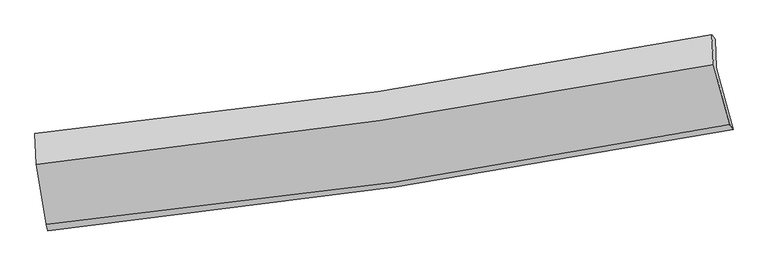
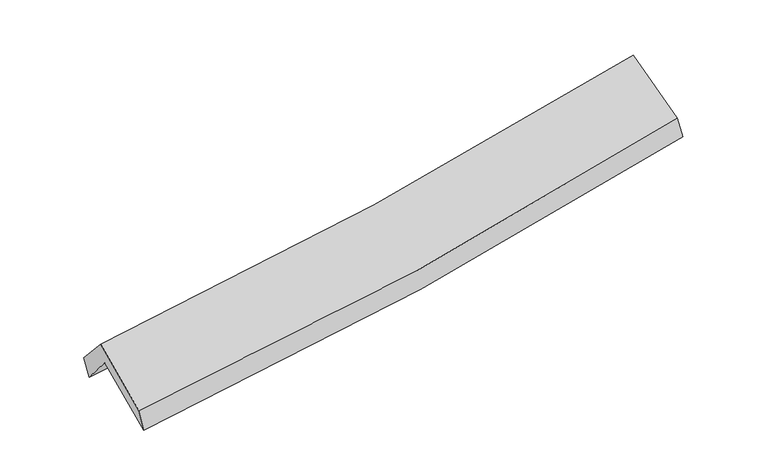
"""IFC4 building model written with IfcOpenShell, lengths in millimetres: proxy geometry."""

from ifc_helpers import new_model, si_unit, frame, origin, place, context, project, spatial, source, transform, mapped, element, save
from ifc_brep_helpers import plane_surface, spline_curve, spline_surface, advanced_brep


def generic_models_db290c62(model_context):
    return source(origin(), model_context, "Body", "AdvancedBrep", [
        advanced_brep(
        [(-2801.418925, -2501.9626952, 1470.53982), (-2883.2712942, -1988.4228432, 1881.7860805), (2793.5645419, -1134.6324486, 2372.6708342), (2934.6083235, -1651.2000195, 1963.7372949), (-2894.371916, -1746.2728652, 1591.9775427), (2783.1455894, -892.9770491, 2077.6866456), (-2910.972109, -1683.6200629, 1758.5111317), (2757.6172349, -857.8640919, 2245.0005397), (-2897.9701148, -1944.0274938, 2051.4442281), (2770.0974994, -1106.032684, 2532.3522788), (-2817.549085, -2446.6320137, 1643.4726108), (2907.2056705, -1610.3734924, 2138.3247043)],
        [
            (0, 1),
            (1, 2, spline_curve(3, [(-2883.2712942, -1988.4228432, 1881.7860805), (-1917.958863001, -1896.198779639, 1943.73732956), (-957.393384709, -1777.936072923, 2016.149690846), (934.693021888, -1492.284961611, 2180.20151594), (1866.40615566, -1325.950870433, 2271.417405633), (2793.5645419, -1134.6324486, 2372.6708342)], [4, 2, 4], [0.0, 9.601465992579238, 19.0065402656699])),
            (2, 3),
            (3, 0, spline_curve(3, [(2934.6083235, -1651.2000195, 1963.7372949), (1997.492862875, -1831.270496051, 1854.878564629), (1055.918540859, -1991.675380361, 1759.631967138), (-855.902382471, -2276.092806287, 1594.658390731), (-1826.337143615, -2399.2754808, 1525.505830044), (-2801.418925, -2501.9626952, 1470.53982)], [4, 2, 4], [0.0, 9.405074273090664, 19.0065402656699])),
            (1, 4),
            (4, 5, spline_curve(3, [(-2894.371916, -1746.2728652, 1591.9775427), (-1927.895640023, -1653.426049229, 1639.172505022), (-966.696266659, -1534.897254573, 1703.842696835), (925.595905097, -1249.42544427, 1866.453308789), (1856.902366786, -1083.522300363, 1963.686151212), (2783.1455894, -892.9770491, 2077.6866456)], [4, 2, 4], [0.0, 9.554469889433404, 18.913509333991215])),
            (5, 2),
            (4, 6),
            (6, 7, spline_curve(3, [(-2910.972109, -1683.6200629, 1758.5111317), (-1948.639791418, -1589.235151984, 1819.894154419), (-990.250456301, -1472.287915998, 1891.651450794), (899.11967237, -1196.122369819, 2054.234644539), (1830.260118561, -1037.817615633, 2144.640483856), (2757.6172349, -857.8640919, 2245.0005397)], [4, 2, 4], [0.0, 9.54348089722188, 18.891756122230753])),
            (7, 5),
            (6, 8),
            (8, 9, spline_curve(3, [(-2897.9701148, -1944.0274938, 2051.4442281), (-1936.267534863, -1839.539772722, 2105.3900053), (-978.234195387, -1716.552237444, 2172.992328516), (910.973107114, -1436.47157112, 2333.847970153), (1842.29563924, -1280.127502683, 2426.548330302), (2770.0974994, -1106.032684, 2532.3522788)], [4, 2, 4], [0.0, 9.532351386807086, 18.869724748271874])),
            (9, 7),
            (8, 10),
            (10, 11, spline_curve(3, [(-2817.549085, -2446.6320137, 1643.4726108), (-1843.583918874, -2352.9489812, 1697.182497886), (-874.660583885, -2235.45566524, 1765.854235784), (1033.386855712, -1955.738738854, 1931.410743939), (1972.715106169, -1794.479214364, 2027.689703401), (2907.2056705, -1610.3734924, 2138.3247043)], [4, 2, 4], [0.0, 9.580597180029866, 18.965229498509665])),
            (11, 9),
            (10, 0),
            (3, 11),
        ],
        [
            spline_surface(3, 3, [[(-2801.418925, -2501.9626952, 1470.53982), (-1826.337143593, -2399.275480759, 1525.505830005), (-855.90238257, -2276.092806416, 1594.658390831), (1055.918540956, -1991.675380235, 1759.63196704), (1997.492862752, -1831.270496016, 1854.878564497), (2934.6083235, -1651.2000195, 1963.7372949)], [(-2828.703048041, -2330.782744536, 1607.62190683), (-1856.877716668, -2231.58324709, 1664.91632983), (-889.732716572, -2110.040561881, 1735.155490857), (1015.510034578, -1825.211907408, 1899.821816653), (1953.797293694, -1662.830620844, 1993.724844887), (2887.593729638, -1479.010829204, 2100.048474663)], [(-2855.987171159, -2159.602793864, 1744.70399367), (-1887.418289821, -2063.891013412, 1804.326829665), (-923.563050607, -1943.988317329, 1875.652590882), (975.101528168, -1658.748434564, 2040.011666266), (1910.101724623, -1494.390745659, 2132.571125287), (2840.579135762, -1306.821638896, 2236.359654437)], [(-2883.2712942, -1988.4228432, 1881.7860805), (-1917.958862896, -1896.198779743, 1943.73732949), (-957.393384609, -1777.936072794, 2016.149690908), (934.69302179, -1492.284961737, 2180.20151588), (1866.406155565, -1325.950870487, 2271.417405678), (2793.5645419, -1134.6324486, 2372.6708342)]], [4, 4], [4, 2, 4], [0.0, 2.172285318991527], [0.0, 9.601465992579238, 19.0065402656699]),
            spline_surface(3, 3, [[(-2883.2712942, -1988.4228432, 1881.7860805), (-1917.958862896, -1896.198779743, 1943.73732949), (-957.393384609, -1777.936072794, 2016.149690908), (934.69302179, -1492.284961737, 2180.20151588), (1866.406155565, -1325.950870487, 2271.417405678), (2793.5645419, -1134.6324486, 2372.6708342)], [(-2886.971501468, -1907.706183867, 1785.183234552), (-1921.271121962, -1815.274536251, 1842.215721332), (-960.494345289, -1696.923133361, 1912.047359565), (931.660649538, -1411.331789292, 2075.618780162), (1863.238225962, -1245.141347152, 2168.840320835), (2790.091557738, -1054.08064877, 2274.342771322)], [(-2890.671708732, -1826.989524533, 1688.580388648), (-1924.583381025, -1734.350292758, 1740.694113219), (-963.595305943, -1615.9101939, 1807.945028232), (928.628277313, -1330.37861682, 1971.036044454), (1860.070296347, -1164.331823807, 2066.263236025), (2786.618573562, -973.52884893, 2176.014708478)], [(-2894.371916, -1746.2728652, 1591.9775427), (-1927.895640092, -1653.426049266, 1639.172505061), (-966.696266623, -1534.897254466, 1703.84269689), (925.595905062, -1249.425444375, 1866.453308736), (1856.902366744, -1083.522300471, 1963.686151182), (2783.1455894, -892.9770491, 2077.6866456)]], [4, 4], [4, 2, 4], [0.0, 1.3003281194605383], [0.0, 9.554469889433404, 18.913509333991215]),
            spline_surface(3, 3, [[(-2894.371916, -1746.2728652, 1591.9775427), (-1927.895640092, -1653.426049266, 1639.172505061), (-966.696266623, -1534.897254466, 1703.84269689), (925.595905062, -1249.425444375, 1866.453308736), (1856.902366744, -1083.522300471, 1963.686151182), (2783.1455894, -892.9770491, 2077.6866456)], [(-2899.905313664, -1725.388597759, 1647.488739038), (-1934.810357243, -1632.029083516, 1699.4130548), (-974.547663186, -1514.027474925, 1766.445614868), (916.770494167, -1231.657752877, 1929.047087309), (1848.021617313, -1068.287405558, 2024.004262082), (2774.636137892, -881.272730038, 2133.457943639)], [(-2905.438711336, -1704.504330341, 1702.999935362), (-1941.725074402, -1610.632117788, 1759.653604526), (-982.399059747, -1493.157695429, 1829.048532874), (907.945083275, -1213.890061425, 1991.640865909), (1839.140867906, -1053.052510631, 2084.322372966), (2766.126686408, -869.568410962, 2189.229241661)], [(-2910.972109, -1683.6200629, 1758.5111317), (-1948.639791553, -1589.235152038, 1819.894154265), (-990.25045631, -1472.287915887, 1891.651450852), (899.119672379, -1196.122369927, 2054.234644482), (1830.260118476, -1037.817615717, 2144.640483866), (2757.6172349, -857.8640919, 2245.0005397)]], [4, 4], [4, 2, 4], [0.0, 0.6500737521594755], [0.0, 9.54348089722188, 18.891756122230753]),
            spline_surface(3, 3, [[(-2910.972109, -1683.6200629, 1758.5111317), (-1948.639791553, -1589.235152038, 1819.894154265), (-990.25045631, -1472.287915887, 1891.651450852), (899.119672379, -1196.122369927, 2054.234644482), (1830.260118476, -1037.817615717, 2144.640483866), (2757.6172349, -857.8640919, 2245.0005397)], [(-2906.638110938, -1770.422539856, 1856.155497171), (-1944.515705993, -1672.670025566, 1915.059437963), (-986.245036039, -1553.709356458, 1985.431743435), (903.070817317, -1276.23877031, 2147.439086322), (1834.27195874, -1118.58757808, 2238.609766007), (2761.777323076, -940.586955927, 2340.784452723)], [(-2902.304112862, -1857.225016844, 1953.799862629), (-1940.391620419, -1756.104899126, 2010.224721649), (-982.239615752, -1635.130796975, 2079.212036051), (907.02196227, -1356.355170638, 2240.643528197), (1838.283798977, -1199.357540463, 2332.579048179), (2765.937411224, -1023.309819973, 2436.568365777)], [(-2897.9701148, -1944.0274938, 2051.4442281), (-1936.267534858, -1839.539772654, 2105.390005348), (-978.234195481, -1716.552237546, 2172.992328633), (910.973107207, -1436.47157102, 2333.847970038), (1842.295639242, -1280.127502826, 2426.54833032), (2770.0974994, -1106.032684, 2532.3522788)]], [4, 4], [4, 2, 4], [0.0, 1.216803629181527], [0.0, 9.532351386807086, 18.869724748271874]),
            spline_surface(3, 3, [[(-2897.9701148, -1944.0274938, 2051.4442281), (-1936.267534858, -1839.539772654, 2105.390005348), (-978.234195481, -1716.552237546, 2172.992328633), (910.973107207, -1436.47157102, 2333.847970038), (1842.295639242, -1280.127502826, 2426.54833032), (2770.0974994, -1106.032684, 2532.3522788)], [(-2871.163104887, -2111.562333773, 1915.453689012), (-1905.372996198, -2010.676175509, 1969.320836184), (-943.709658326, -1889.520046736, 2037.279631085), (951.777690082, -1609.560626958, 2199.702227985), (1885.768794884, -1451.578073371, 2293.595454743), (2815.800223102, -1274.1462868, 2401.009753986)], [(-2844.356094913, -2279.097173727, 1779.463149888), (-1874.478457476, -2181.812578346, 1833.251666985), (-909.185121166, -2062.487855998, 1901.566933466), (992.582272961, -1782.649682968, 2065.556485861), (1929.241950521, -1623.028643916, 2160.642579109), (2861.502946798, -1442.2598896, 2269.667229114)], [(-2817.549085, -2446.6320137, 1643.4726108), (-1843.583918816, -2352.948981201, 1697.182497822), (-874.660584011, -2235.455665188, 1765.854235917), (1033.386855836, -1955.738738905, 1931.410743808), (1972.715106163, -1794.479214461, 2027.689703532), (2907.2056705, -1610.3734924, 2138.3247043)]], [4, 4], [4, 2, 4], [0.0, 2.191196990739714], [0.0, 9.580597180029866, 18.965229498509665]),
            spline_surface(3, 3, [[(-2817.549085, -2446.6320137, 1643.4726108), (-1843.583918816, -2352.948981201, 1697.182497822), (-874.660584011, -2235.455665188, 1765.854235917), (1033.386855836, -1955.738738905, 1931.410743808), (1972.715106163, -1794.479214461, 2027.689703532), (2907.2056705, -1610.3734924, 2138.3247043)], [(-2812.172365002, -2465.075574208, 1585.828347198), (-1837.834993744, -2368.391147729, 1639.956941881), (-868.407850192, -2249.001378937, 1708.788954222), (1040.897417548, -1967.717619355, 1874.151151552), (1980.974358348, -1806.742974974, 1970.085990521), (2916.339888155, -1623.982334761, 2080.128901167)], [(-2806.795644998, -2483.519134692, 1528.184083602), (-1832.086068665, -2383.833314231, 1582.731385946), (-862.155116389, -2262.547092666, 1651.723672526), (1048.407979243, -1979.696499785, 1816.891559296), (1989.233610568, -1819.006735503, 1912.482277508), (2925.474105845, -1637.591177139, 2021.933098033)], [(-2801.418925, -2501.9626952, 1470.53982), (-1826.337143593, -2399.275480759, 1525.505830005), (-855.90238257, -2276.092806416, 1594.658390831), (1055.918540956, -1991.675380235, 1759.63196704), (1997.492862752, -1831.270496016, 1854.878564497), (2934.6083235, -1651.2000195, 1963.7372949)]], [4, 4], [4, 2, 4], [0.0, 0.5804418058853537], [0.0, 9.63880967183421, 19.080463783596898]),
            plane_surface(frame((2824.3731433, -1208.8466309, 2221.6287163), z_axis=(0.9775802637070076, 0.17849516796272988, 0.11169737250488235), x_axis=(0.20947417134049678, -0.7705330182817095, -0.6019962120137393))),
            plane_surface(frame((-2867.5922407, -2051.8229957, 1732.9552356), z_axis=(-0.9919984451677628, -0.1129588085174536, -0.056386100796725194), x_axis=(-0.08848922415423657, 0.3035412595007277, 0.9487003536361169))),
        ],
        [
            (0, [[1, 2, 3, 4]]),
            (1, [[5, 6, 7, -2]]),
            (2, [[8, 9, 10, -6]]),
            (3, [[11, 12, 13, -9]]),
            (4, [[14, 15, 16, -12]]),
            (5, [[17, -4, 18, -15]]),
            (6, [[-16, -18, -3, -7, -10, -13]]),
            (7, [[-17, -14, -11, -8, -5, -1]]),
        ],
    ),
    ])


if __name__ == "__main__":
    model = new_model("IFC4")
    model_context = context("Model", 3, world=origin())
    ifc_project = project(units=[si_unit("LENGTHUNIT", "METRE", prefix="MILLI")], contexts=[model_context])
    site = spatial("IfcSite", under=ifc_project)
    building = spatial("IfcBuilding", under=site)
    placement = place(None, origin())
    generic_models_shape = generic_models_db290c62(model_context)
    element("IfcBuildingElementProxy", 1, Name="Generic Models", at=placement, inside=building, context=model_context, shape_type="MappedRepresentation", body=[
        mapped(generic_models_shape, transform((0.0, 0.0, 0.0), x_axis=(1.0, 0.0, 0.0), y_axis=(0.0, 1.0, 0.0), z_axis=(0.0, 0.0, 1.0))),
    ])
    save(model, "model.ifc")
